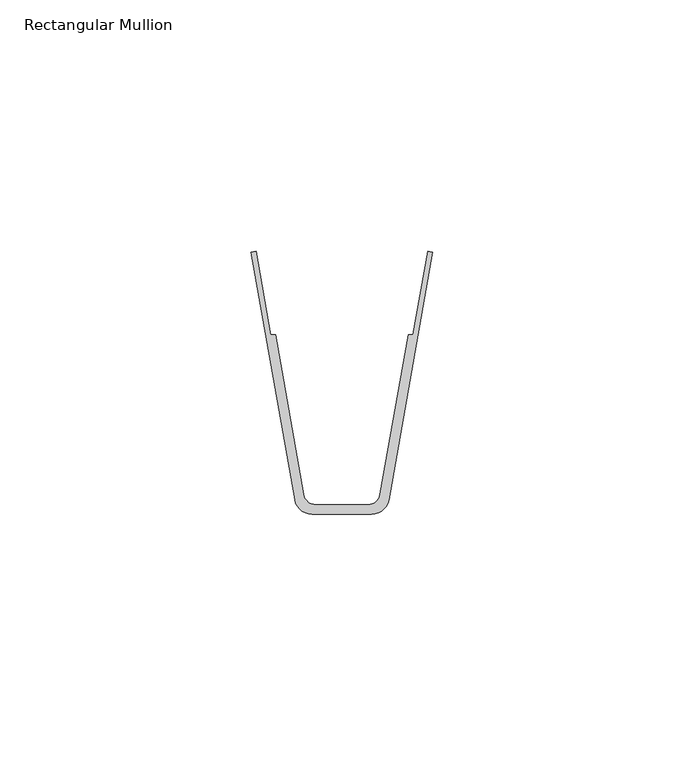
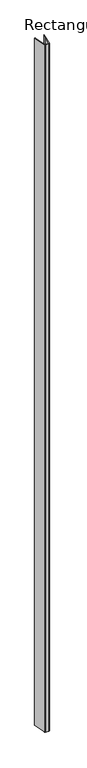
"""IFC4 building model written with IfcOpenShell, lengths in millimetres: member geometry, Rectangular Mullion."""

from ifc_helpers import new_model, si_unit, point, frame, frame_2d, origin, place, context, project, spatial, polyline, circle_curve, trimmed, segment, composite_curve, outline, extrude, source, transform, mapped, element, save


def rectangular_mullion_ece04401(model_context):
    return source(origin(), model_context, "Body", "SweptSolid", [
        extrude(outline(composite_curve([segment(polyline([(5.9117221, -52.3225148), (-5.9117221, -52.3225148)]), True, "CONTINUOUS"), segment(trimmed(circle_curve(frame_2d((-5.9117221, -48.8225148)), 3.5), [point((-5.9117221, -52.3225148))], [point((-9.3584346, -49.4309333))], False, "CARTESIAN"), True, "CONTINUOUS"), segment(polyline([(-9.3584346, -49.4309333), (-18.0537611, -0.1715971), (-17.1182248, -0.0064549), (-14.1859953, -16.6176407), (-13.2359637, -16.6176407), (-7.6336518, -48.3549382)]), True, "CONTINUOUS"), segment(trimmed(circle_curve(frame_2d((-5.1717143, -47.9203535)), 2.5), [point((-7.6336518, -48.3549382))], [point((-5.1717143, -50.4203535))], True, "CARTESIAN"), True, "CONTINUOUS"), segment(polyline([(-5.1717143, -50.4203535), (5.1717143, -50.4203535)]), True, "CONTINUOUS"), segment(trimmed(circle_curve(frame_2d((5.1717143, -47.9203535)), 2.5), [point((5.1717143, -50.4203535))], [point((7.6336518, -48.3549382))], True, "CARTESIAN"), True, "CONTINUOUS"), segment(polyline([(7.6336518, -48.3549382), (13.2359637, -16.6176407), (14.1859953, -16.6176407), (17.1182248, -0.0064549), (18.0537611, -0.1715971), (9.3584346, -49.4309333)]), True, "CONTINUOUS"), segment(trimmed(circle_curve(frame_2d((5.9117221, -48.8225148)), 3.5), [point((9.3584346, -49.4309333))], [point((5.9117221, -52.3225148))], False, "CARTESIAN"), True, "CONTINUOUS")], self_intersect=False)), frame((0.0, 0.0, -2780.0), z_axis=(0.0, 0.0, 1.0), x_axis=(1.0, 0.0, 0.0)), (0.0, 0.0, 1.0), 2780.0),
    ])


if __name__ == "__main__":
    model = new_model("IFC4")
    model_context = context("Model", 3, world=origin())
    ifc_project = project(units=[si_unit("LENGTHUNIT", "METRE", prefix="MILLI")], contexts=[model_context])
    site = spatial("IfcSite", under=ifc_project)
    building = spatial("IfcBuilding", under=site)
    placement = place(None, origin())
    rectangular_mullion_shape = rectangular_mullion_ece04401(model_context)
    element("IfcMember", 1, ObjectType="Rectangular Mullion", at=placement, inside=building, context=model_context, shape_type="MappedRepresentation", body=[
        mapped(rectangular_mullion_shape, transform((0.0, 0.0, 0.0), x_axis=(1.0, 0.0, 0.0), y_axis=(0.0, 1.0, 0.0), z_axis=(0.0, 0.0, 1.0))),
    ])
    save(model, "model.ifc")
